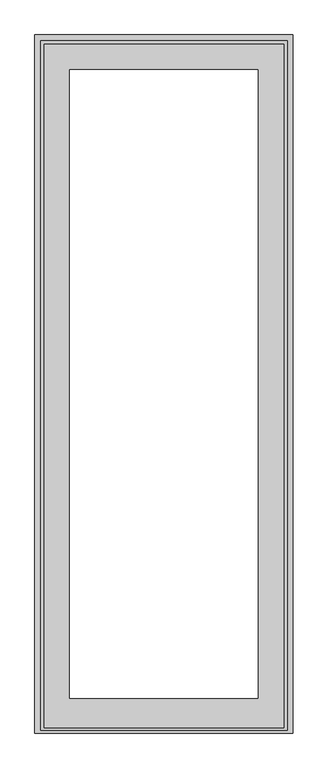
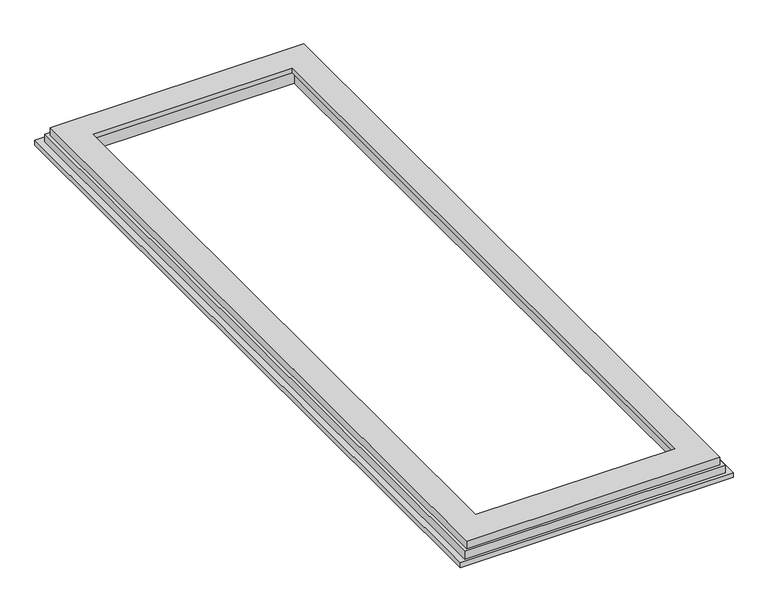
"""IFC4 building model written with IfcOpenShell, lengths in millimetres: proxy geometry."""

from ifc_helpers import new_model, si_unit, origin, place, context, project, spatial, faceted_brep, source, transform, mapped, element, save


def generic_models_21f8765f(model_context):
    return source(origin(), model_context, "Body", "Brep", [
        faceted_brep([(-1.5, 2396.4, -68.0), (884.5, 2396.4, -68.0), (884.5, 2396.4, -84.5), (-1.5, 2396.4, -84.5), (884.5, 3.0, -84.5), (-1.5, 3.0, -84.5), (100.5, 105.0, -84.5), (782.5, 105.0, -84.5), (782.5, 2294.4, -84.5), (100.5, 2294.4, -84.5), (782.5, 105.0, -32.5), (782.5, 2294.4, -32.5), (100.5, 105.0, -32.5), (100.5, 2294.4, -32.5), (118.5, 123.0, -32.5), (764.5, 123.0, -32.5), (764.5, 2276.4, -32.5), (118.5, 2276.4, -32.5), (764.5, 123.0, -16.5), (764.5, 2276.4, -16.5), (852.5, 2364.4, -16.5), (30.5, 2364.4, -16.5), (30.5, 22.0, -16.5), (852.5, 22.0, -16.5), (118.5, 123.0, -16.5), (118.5, 2276.4, -16.5), (884.5, 3.0, -68.0), (-1.5, 3.0, -68.0), (864.5, 13.0, -68.0), (18.5, 13.0, -68.0), (18.5, 2376.4, -68.0), (864.5, 2376.4, -68.0), (864.5, 2376.4, -42.0), (864.5, 13.0, -42.0), (852.5, 22.0, -42.0), (852.5, 2364.4, -42.0), (18.5, 2376.4, -42.0), (18.5, 13.0, -42.0), (30.5, 22.0, -42.0), (30.5, 2364.4, -42.0)], [[[0, 1, 2, 3]], [[4, 5, 3, 2], [6, 7, 8, 9]], [[7, 10, 11, 8]], [[10, 12, 13, 11], [14, 15, 16, 17]], [[15, 18, 19, 16]], [[20, 21, 22, 23], [18, 24, 25, 19]], [[2, 1, 26, 4]], [[4, 26, 27, 5]], [[1, 0, 27, 26], [28, 29, 30, 31]], [[28, 31, 32, 33]], [[23, 34, 35, 20]], [[33, 32, 36, 37], [35, 34, 38, 39]], [[7, 6, 12, 10]], [[15, 14, 24, 18]], [[12, 6, 9, 13]], [[24, 14, 17, 25]], [[5, 27, 0, 3]], [[30, 29, 37, 36]], [[39, 38, 22, 21]], [[9, 8, 11, 13]], [[19, 25, 17, 16]], [[31, 30, 36, 32]], [[20, 35, 39, 21]], [[29, 28, 33, 37]], [[38, 34, 23, 22]]]),
    ])


if __name__ == "__main__":
    model = new_model("IFC4")
    model_context = context("Model", 3, world=origin())
    ifc_project = project(units=[si_unit("LENGTHUNIT", "METRE", prefix="MILLI")], contexts=[model_context])
    site = spatial("IfcSite", under=ifc_project)
    building = spatial("IfcBuilding", under=site)
    placement = place(None, origin())
    generic_models_shape = generic_models_21f8765f(model_context)
    element("IfcBuildingElementProxy", 1, Name="Generic Models", at=placement, inside=building, context=model_context, shape_type="MappedRepresentation", body=[
        mapped(generic_models_shape, transform((0.0, 0.0, 0.0), x_axis=(1.0, 0.0, 0.0), y_axis=(0.0, 1.0, 0.0), z_axis=(0.0, 0.0, 1.0))),
    ])
    save(model, "model.ifc")
